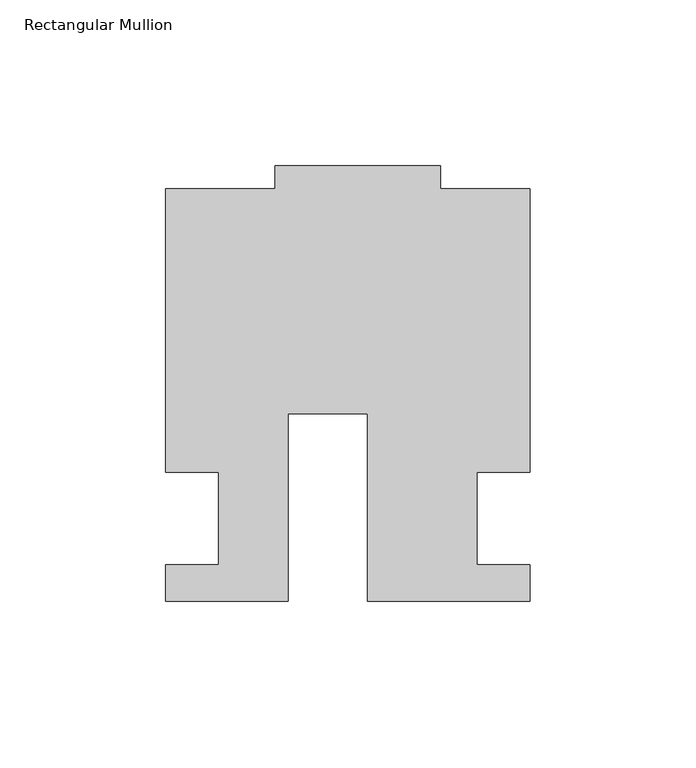
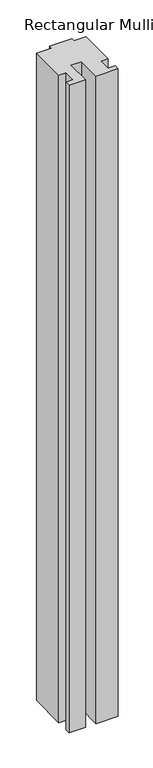
"""IFC4 building model written with IfcOpenShell, lengths in millimetres: member geometry, Rectangular Mullion."""

from ifc_helpers import new_model, si_unit, frame, origin, place, context, project, spatial, polyline, outline, extrude, source, transform, mapped, element, save


def rectangular_mullion_992e84a1(model_context):
    return source(origin(), model_context, "Body", "SweptSolid", [
        extrude(outline(polyline([(-24.0309529, -25.0), (-61.0409135, -25.0), (-61.0409135, -14.0), (-44.9971154, -14.0), (-44.9971154, 14.0), (-60.9971154, 14.0), (-60.9971154, 99.4999439), (-27.9971154, 99.4999439), (-27.9971154, 106.5), (22.0028846, 106.5), (22.0028846, 99.5), (49.0, 99.5), (49.0, 14.0), (32.9971154, 14.0), (32.9971154, -14.0), (49.0, -14.0), (49.0, -25.0), (0.0, -25.0), (0.0, 31.6008577), (-24.0309529, 31.6008577), (-24.0309529, -25.0)])), frame((0.0, 0.0, -1524.000019), z_axis=(0.0, 0.0, 1.0), x_axis=(1.0, 0.0, 0.0)), (0.0, 0.0, 1.0), 1524.000019),
    ])


if __name__ == "__main__":
    model = new_model("IFC4")
    model_context = context("Model", 3, world=origin())
    ifc_project = project(units=[si_unit("LENGTHUNIT", "METRE", prefix="MILLI")], contexts=[model_context])
    site = spatial("IfcSite", under=ifc_project)
    building = spatial("IfcBuilding", under=site)
    placement = place(None, origin())
    rectangular_mullion_shape = rectangular_mullion_992e84a1(model_context)
    element("IfcMember", 1, ObjectType="Rectangular Mullion", at=placement, inside=building, context=model_context, shape_type="MappedRepresentation", body=[
        mapped(rectangular_mullion_shape, transform((0.0, 0.0, 0.0), x_axis=(1.0, 0.0, 0.0), y_axis=(0.0, 1.0, 0.0), z_axis=(0.0, 0.0, 1.0))),
    ])
    save(model, "model.ifc")
